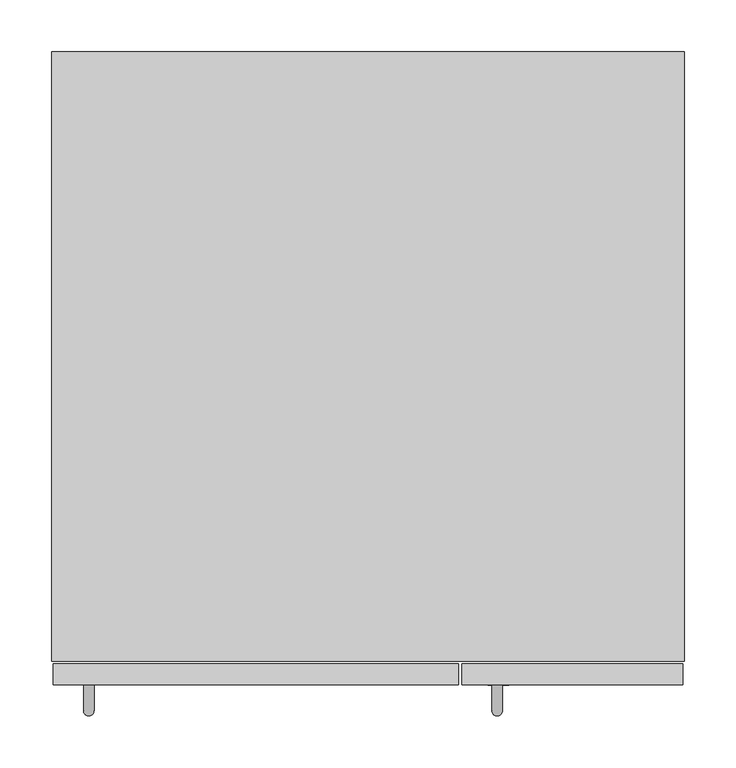
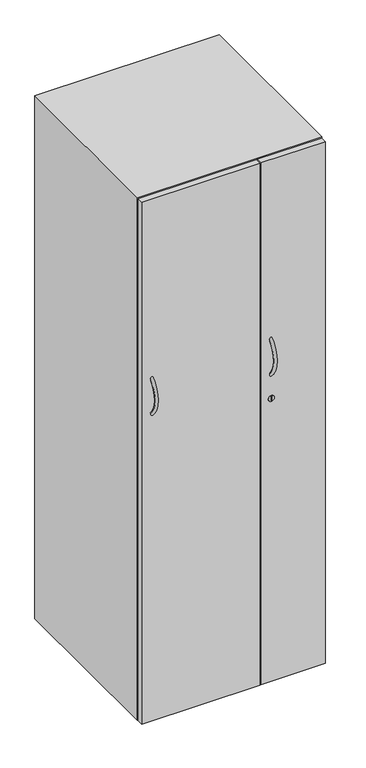
"""IFC4 building model written with IfcOpenShell, lengths in millimetres: furniture geometry."""

from ifc_helpers import new_model, si_unit, point, frame, frame_2d, origin, origin_with_axes, place, context, project, spatial, polyline, circle_curve, ellipse_curve, trimmed, segment, composite_curve, outline, extrude, source, transform, mapped, element, save
from ifc_brep_helpers import plane_surface, revolved_surface, advanced_brep


def furniture_57145a42(model_context):
    return source(origin(), model_context, "Body", "SolidModel", [
        extrude(outline(composite_curve([segment(trimmed(circle_curve(frame_2d((34.7948519, -555.9560457)), 15.24), [point((34.7948519, -571.1960457))], [point((34.7948519, -540.7160457))], False, "CARTESIAN"), True, "CONTINUOUS"), segment(trimmed(circle_curve(frame_2d((34.7948519, -555.9560457)), 15.24), [point((34.7948519, -540.7160457))], [point((34.7948519, -571.1960457))], False, "CARTESIAN"), True, "CONTINUOUS")], self_intersect=False)), origin_with_axes(), (0.0, 0.0, 1.0), 12.7000004),
        extrude(outline(composite_curve([segment(trimmed(circle_curve(frame_2d((574.5448519, -555.9560457)), 15.24), [point((574.5448519, -571.1960457))], [point((574.5448519, -540.7160457))], False, "CARTESIAN"), True, "CONTINUOUS"), segment(trimmed(circle_curve(frame_2d((574.5448519, -555.9560457)), 15.24), [point((574.5448519, -540.7160457))], [point((574.5448519, -571.1960457))], False, "CARTESIAN"), True, "CONTINUOUS")], self_intersect=False)), origin_with_axes(), (0.0, 0.0, 1.0), 12.7000004),
        extrude(outline(composite_curve([segment(trimmed(circle_curve(frame_2d((34.7948519, -35.2560457)), 15.24), [point((34.7948519, -50.4960457))], [point((34.7948519, -20.0160457))], False, "CARTESIAN"), True, "CONTINUOUS"), segment(trimmed(circle_curve(frame_2d((34.7948519, -35.2560457)), 15.24), [point((34.7948519, -20.0160457))], [point((34.7948519, -50.4960457))], False, "CARTESIAN"), True, "CONTINUOUS")], self_intersect=False)), origin_with_axes(), (0.0, 0.0, 1.0), 12.7000004),
        extrude(outline(composite_curve([segment(trimmed(circle_curve(frame_2d((574.5448519, -35.2560457)), 15.24), [point((574.5448519, -50.4960457))], [point((574.5448519, -20.0160457))], False, "CARTESIAN"), True, "CONTINUOUS"), segment(trimmed(circle_curve(frame_2d((574.5448519, -35.2560457)), 15.24), [point((574.5448519, -20.0160457))], [point((574.5448519, -50.4960457))], False, "CARTESIAN"), True, "CONTINUOUS")], self_intersect=False)), origin_with_axes(), (0.0, 0.0, 1.0), 12.7000004),
        extrude(outline(composite_curve([segment(trimmed(circle_curve(frame_2d((1002.1848872, 430.4193681)), 10.16), [point((1002.1848872, 440.5793681))], [point((1002.1848872, 420.2593681))], False, "CARTESIAN"), True, "CONTINUOUS"), segment(trimmed(circle_curve(frame_2d((1002.1848872, 430.4193681)), 10.16), [point((1002.1848872, 420.2593681))], [point((1002.1848872, 440.5793681))], False, "CARTESIAN"), True, "CONTINUOUS")], self_intersect=False), holes=[polyline([(1010.8122879, 431.5198393), (993.1444531, 431.5198393), (993.1444531, 429.26), (1010.8122879, 429.26), (1010.8122879, 431.5198393)])]), frame((0.0, -610.108, 0.0), z_axis=(0.0, 1.0, 0.0), x_axis=(0.0, 0.0, 1.0)), (0.0, 0.0, 1.0), 0.508),
        advanced_brep(
        [(424.18, -606.1885863, 1212.3227066), (434.34, -606.1885863, 1212.3227066), (424.18, -606.1885863, 1084.0404949), (434.34, -606.1885863, 1084.0404949)],
        [
            (0, 1, circle_curve(frame((429.26, -606.1885863, 1212.3227066), z_axis=(0.0, 0.74096999574945, 0.6715381339872368), x_axis=(1.0, 0.0, 0.0)), 5.08)),
            (1, 0, circle_curve(frame((429.26, -606.1885863, 1212.3227066), z_axis=(0.0, 0.74096999574945, 0.6715381339872368), x_axis=(1.0, 0.0, 0.0)), 5.08)),
            (2, 3, circle_curve(frame((429.26, -606.1885863, 1084.0404949), z_axis=(0.0, 0.7409699957494551, -0.6715381339872313), x_axis=(1.0, 0.0, 0.0)), 5.08)),
            (3, 2, circle_curve(frame((429.26, -606.1885863, 1084.0404949), z_axis=(0.0, 0.7409699957494551, -0.6715381339872313), x_axis=(1.0, 0.0, 0.0)), 5.08)),
            (3, 1, circle_curve(frame((434.34, -548.0577594, 1148.1816008), z_axis=(-1.0, 0.0, 0.0), x_axis=(0.0, -0.6715381339872368, 0.74096999574945)), 86.5637019)),
            (0, 2, circle_curve(frame((424.18, -548.0577594, 1148.1816008), z_axis=(1.0, 0.0, 0.0), x_axis=(0.0, -0.6715381339872368, 0.74096999574945)), 86.5637019)),
        ],
        [
            plane_surface(frame((429.26, -609.6, 1216.0868342), z_axis=(0.0, 0.74096999574945, 0.6715381339872368), x_axis=(1.0, 0.0, 0.0))),
            plane_surface(frame((429.26, -609.6, 1080.2763673), z_axis=(0.0, 0.740969995749455, -0.6715381339872313), x_axis=(1.0, 0.0, 0.0))),
            revolved_surface(trimmed(ellipse_curve(frame((429.26, -606.1885863, 1212.3227066), z_axis=(0.0, 0.74096999574945, 0.6715381339872368), x_axis=(1.0, 0.0, 0.0)), 5.08, 5.08), [point((424.18, -606.1885863, 1212.3227066))], [point((434.34, -606.1885863, 1212.3227066))], True, "CARTESIAN"), (429.26, -548.0577594, 1148.1816008), (1.0, 0.0, 0.0)),
            revolved_surface(trimmed(ellipse_curve(frame((429.26, -606.1885863, 1212.3227066), z_axis=(0.0, 0.74096999574945, 0.6715381339872368), x_axis=(1.0, 0.0, 0.0)), 5.08, 5.08), [point((434.34, -606.1885863, 1212.3227066))], [point((424.18, -606.1885863, 1212.3227066))], True, "CARTESIAN"), (429.26, -548.0577594, 1148.1816008), (1.0, 0.0, 0.0)),
        ],
        [
            (0, [[1, 2]]),
            (1, [[3, 4]]),
            (2, [[5, -1, 6, -4]]),
            (3, [[-6, -2, -5, -3]]),
        ],
    ),
        advanced_brep(
        [(30.48, -606.1885863, 1212.3227066), (40.64, -606.1885863, 1212.3227066), (30.48, -606.1885863, 1084.0404949), (40.64, -606.1885863, 1084.0404949)],
        [
            (0, 1, circle_curve(frame((35.56, -606.1885863, 1212.3227066), z_axis=(0.0, 0.74096999574945, 0.6715381339872368), x_axis=(1.0, 0.0, 0.0)), 5.08)),
            (1, 0, circle_curve(frame((35.56, -606.1885863, 1212.3227066), z_axis=(0.0, 0.74096999574945, 0.6715381339872368), x_axis=(1.0, 0.0, 0.0)), 5.08)),
            (2, 3, circle_curve(frame((35.56, -606.1885863, 1084.0404949), z_axis=(0.0, 0.7409699957494551, -0.6715381339872313), x_axis=(1.0, 0.0, 0.0)), 5.08)),
            (3, 2, circle_curve(frame((35.56, -606.1885863, 1084.0404949), z_axis=(0.0, 0.7409699957494551, -0.6715381339872313), x_axis=(1.0, 0.0, 0.0)), 5.08)),
            (3, 1, circle_curve(frame((40.64, -548.0577594, 1148.1816008), z_axis=(-1.0, 0.0, 0.0), x_axis=(0.0, -0.6715381339872368, 0.74096999574945)), 86.5637019)),
            (0, 2, circle_curve(frame((30.48, -548.0577594, 1148.1816008), z_axis=(1.0, 0.0, 0.0), x_axis=(0.0, -0.6715381339872368, 0.74096999574945)), 86.5637019)),
        ],
        [
            plane_surface(frame((35.56, -609.6, 1216.0868342), z_axis=(0.0, 0.74096999574945, 0.6715381339872368), x_axis=(1.0, 0.0, 0.0))),
            plane_surface(frame((35.56, -609.6, 1080.2763673), z_axis=(0.0, 0.740969995749455, -0.6715381339872313), x_axis=(1.0, 0.0, 0.0))),
            revolved_surface(trimmed(ellipse_curve(frame((35.56, -606.1885863, 1212.3227066), z_axis=(0.0, 0.74096999574945, 0.6715381339872368), x_axis=(1.0, 0.0, 0.0)), 5.08, 5.08), [point((30.48, -606.1885863, 1212.3227066))], [point((40.64, -606.1885863, 1212.3227066))], True, "CARTESIAN"), (35.56, -548.0577594, 1148.1816008), (1.0, 0.0, 0.0)),
            revolved_surface(trimmed(ellipse_curve(frame((35.56, -606.1885863, 1212.3227066), z_axis=(0.0, 0.74096999574945, 0.6715381339872368), x_axis=(1.0, 0.0, 0.0)), 5.08, 5.08), [point((40.64, -606.1885863, 1212.3227066))], [point((30.48, -606.1885863, 1212.3227066))], True, "CARTESIAN"), (35.56, -548.0577594, 1148.1816008), (1.0, 0.0, 0.0)),
        ],
        [
            (0, [[1, 2]]),
            (1, [[3, 4]]),
            (2, [[5, -1, 6, -4]]),
            (3, [[-6, -2, -5, -3]]),
        ],
    ),
        extrude(outline(polyline([(1.4987457, -609.6), (1.4987457, -589.6361023), (392.176, -589.6361023), (392.176, -609.6), (1.4987457, -609.6)])), frame((0.0, 0.0, 12.7000004), z_axis=(0.0, 0.0, 1.0), x_axis=(1.0, 0.0, 0.0)), (0.0, 0.0, 1.0), 1825.8027988),
        extrude(outline(polyline([(608.1018356, -589.6361023), (608.1018356, -609.6), (395.1729101, -609.6), (395.1729101, -589.6361023), (608.1018356, -589.6361023)])), frame((0.0, 0.0, 12.7000004), z_axis=(0.0, 0.0, 1.0), x_axis=(1.0, 0.0, 0.0)), (0.0, 0.0, 1.0), 1825.8027988),
        extrude(outline(polyline([(609.6, 0.0), (609.6, -587.2225868), (0.0, -587.2225868), (0.0, 0.0), (609.6, 0.0)])), frame((0.0, 0.0, 12.7000004), z_axis=(0.0, 0.0, 1.0), x_axis=(1.0, 0.0, 0.0)), (0.0, 0.0, 1.0), 1828.7999996),
    ])


if __name__ == "__main__":
    model = new_model("IFC4")
    model_context = context("Model", 3, world=origin())
    ifc_project = project(units=[si_unit("LENGTHUNIT", "METRE", prefix="MILLI")], contexts=[model_context])
    site = spatial("IfcSite", under=ifc_project)
    building = spatial("IfcBuilding", under=site)
    placement = place(None, origin())
    furniture_shape = furniture_57145a42(model_context)
    element("IfcFurniture", 1, at=placement, inside=building, context=model_context, shape_type="MappedRepresentation", body=[
        mapped(furniture_shape, transform((0.0, 0.0, 0.0), x_axis=(1.0, 0.0, 0.0), y_axis=(0.0, 1.0, 0.0), z_axis=(0.0, 0.0, 1.0))),
    ])
    save(model, "model.ifc")
